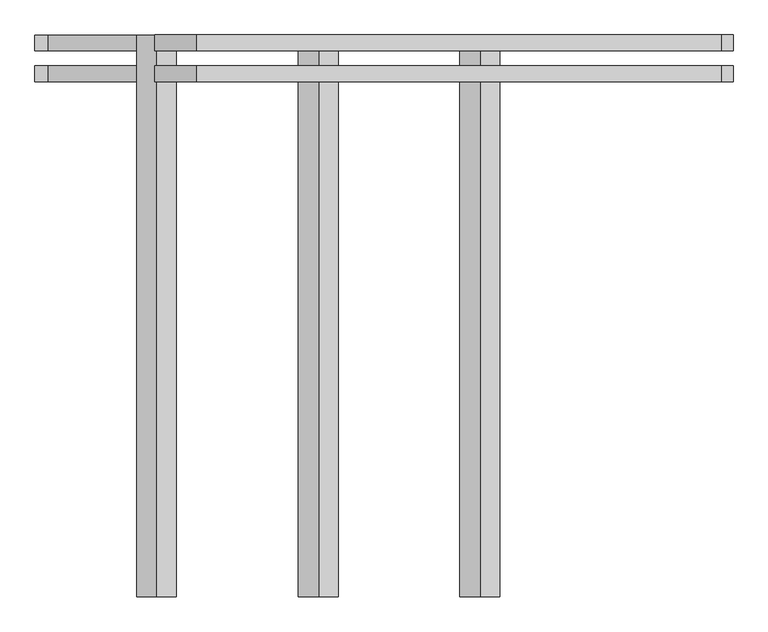
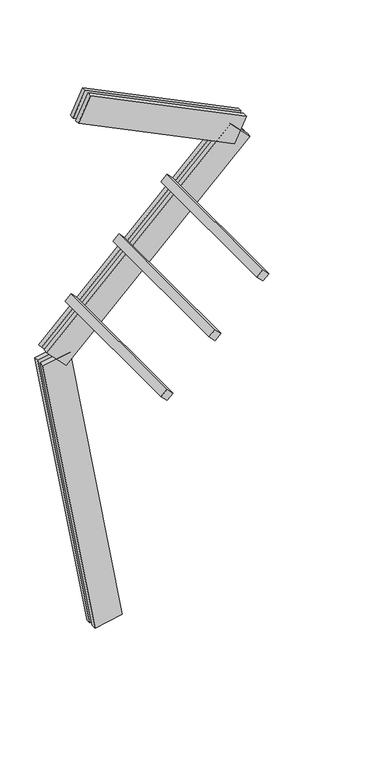
"""IFC4 building model written with IfcOpenShell, lengths in millimetres: proxy geometry."""

from ifc_helpers import new_model, si_unit, frame, origin, place, context, project, spatial, polyline, outline, extrude, source, transform, mapped, element, save


def generic_models_02d0cbd6(model_context):
    return source(origin(), model_context, "Body", "SweptSolid", [
        extrude(outline(polyline([(1500.0, 0.0), (1500.0, -75.0), (0.0, -75.0), (0.0, 0.0), (1500.0, 0.0)])), frame((-213.9959708, 62.5, 3078.8611341), z_axis=(-0.6946583704589966, 0.0, 0.719339800338652), x_axis=(0.0, -1.0, 0.0)), (0.0, 0.0, 1.0), 75.0),
        extrude(outline(polyline([(1500.0, 0.0), (1500.0, -75.0000001), (0.0, -75.0000001), (0.0, 0.0), (1500.0, 0.0)])), frame((217.6079094, 62.5, 3495.6561564), z_axis=(-0.6946583704589966, 0.0, 0.719339800338652), x_axis=(0.0, -1.0, 0.0)), (0.0, 0.0, 1.0), 75.0),
        extrude(outline(polyline([(1500.0, 0.0), (1500.0, -75.0000001), (0.0, -75.0000001), (0.0, 0.0), (1500.0, 0.0)])), frame((649.2117896, 62.5, 3912.4511787), z_axis=(-0.6946583704589966, 0.0, 0.719339800338652), x_axis=(0.0, -1.0, 0.0)), (0.0, 0.0, 1.0), 75.0),
        extrude(outline(polyline([(1560.0, -125.0), (0.0, -125.0), (0.0, -82.5), (1560.0, -82.5), (1560.0, -125.0)])), frame((1130.8350677, -62.5, 4144.3459294), z_axis=(0.43837114678908, 0.0, 0.8987940462991657), x_axis=(-0.8987940462991657, 0.0, 0.43837114678908)), (0.0, 0.0, 1.0), 250.0),
        extrude(outline(polyline([(0.0, 0.0), (1560.0, 0.0), (1560.0, -42.5), (0.0, -42.5), (0.0, 0.0)])), frame((1130.8350677, -62.5, 4144.3459294), z_axis=(0.43837114678908, 0.0, 0.8987940462991657), x_axis=(-0.8987940462991657, 0.0, 0.43837114678908)), (0.0, 0.0, 1.0), 250.0),
        extrude(outline(polyline([(2300.0, -125.0), (0.0, -125.0), (0.0, -82.5), (2300.0, -82.5), (2300.0, -125.0)])), frame((1272.4637574, -62.5, 4166.7777101), z_axis=(-0.6946583704589966, 0.0, 0.719339800338652), x_axis=(-0.719339800338652, 0.0, -0.6946583704589966)), (0.0, 0.0, 1.0), 250.0),
        extrude(outline(polyline([(0.0, 0.0), (2300.0, 0.0), (2300.0, -42.5), (0.0, -42.5), (0.0, 0.0)])), frame((1272.4637574, -62.5, 4166.7777101), z_axis=(-0.6946583704589966, 0.0, 0.719339800338652), x_axis=(-0.719339800338652, 0.0, -0.6946583704589966)), (0.0, 0.0, 1.0), 250.0),
        extrude(outline(polyline([(-125.0, -249.9999999), (-125.0, 0.0), (-82.5, 0.0), (-82.5, -249.9999999), (-125.0, -249.9999999)])), frame((123.1009691, -62.5, 21.7060222), z_axis=(-0.17364817766693158, 0.0, 0.9848077530122079), x_axis=(0.0, -1.0, 0.0)), (0.0, 0.0, 1.0), 2700.0),
        extrude(outline(polyline([(0.0, 0.0), (0.0, -249.9999999), (-42.5, -249.9999999), (-42.5, 0.0), (0.0, 0.0)])), frame((123.1009691, -62.5, 21.7060222), z_axis=(-0.17364817766693158, 0.0, 0.9848077530122079), x_axis=(0.0, -1.0, 0.0)), (0.0, 0.0, 1.0), 2700.0),
    ])


if __name__ == "__main__":
    model = new_model("IFC4")
    model_context = context("Model", 3, world=origin())
    ifc_project = project(units=[si_unit("LENGTHUNIT", "METRE", prefix="MILLI")], contexts=[model_context])
    site = spatial("IfcSite", under=ifc_project)
    building = spatial("IfcBuilding", under=site)
    placement = place(None, origin())
    generic_models_shape = generic_models_02d0cbd6(model_context)
    element("IfcBuildingElementProxy", 1, Name="Generic Models", at=placement, inside=building, context=model_context, shape_type="MappedRepresentation", body=[
        mapped(generic_models_shape, transform((0.0, 0.0, 0.0), x_axis=(1.0, 0.0, 0.0), y_axis=(0.0, 1.0, 0.0), z_axis=(0.0, 0.0, 1.0))),
    ])
    save(model, "model.ifc")
